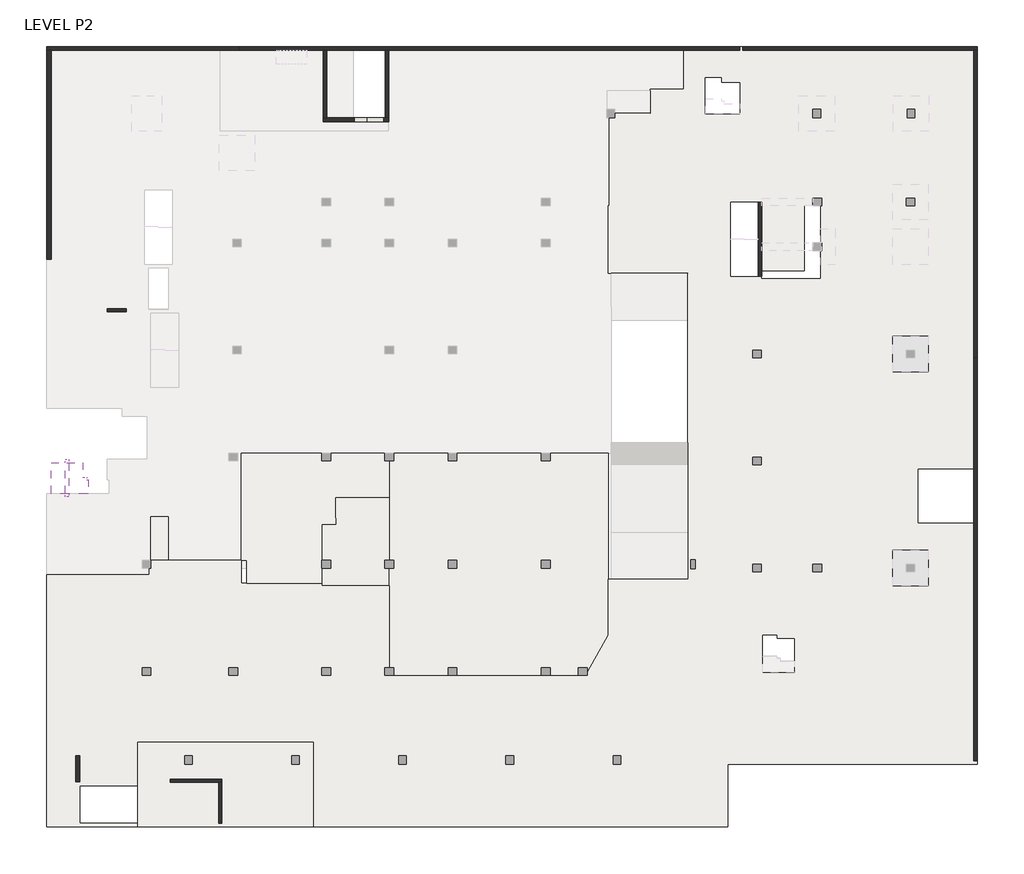
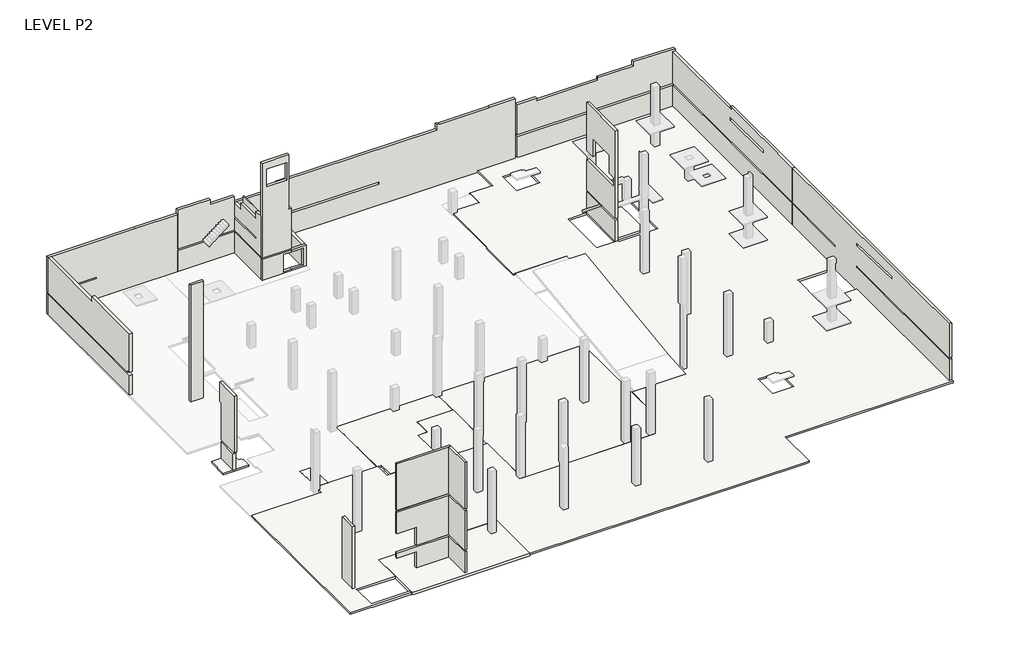
# One storey, part 1 of 3: 16 walls, 7 slabs.
"""IFC4 building model written with IfcOpenShell, lengths in millimetres."""

import ifcopenshell
import ifcopenshell.guid

model = None  # the IFC model being written
_history = None  # IfcOwnerHistory: only IFC2X3 demands one
_inside = {}  # id of a spatial element -> (the spatial element, [elements in it])
_under = {}  # id of a project, library or spatial element -> (it, [spatial elements below it])
_declared = {}  # id of a project -> (the project, [libraries it declares])
_typed = {}  # id of a type object -> (the type object, [elements of that type])
_made_of = {}  # id of a material, layer set ... -> (it, [elements and type objects made of it])


def new_model(schema):
    """Start an empty IFC model of exactly this schema.

    Asked for "IFC4X3", IfcOpenShell would pick the latest addendum, in which some entities
    have other attributes; the version numbers below select the first issue.
    IFC2X3 requires an IfcOwnerHistory on every rooted entity: one is made here for all.
    """
    global model, _history
    if schema == "IFC4X3":
        model = ifcopenshell.file(schema_version=(4, 3, 0, 0))
    else:
        model = ifcopenshell.file(schema=schema)
    _inside.clear()
    _under.clear()
    _declared.clear()
    _typed.clear()
    _made_of.clear()
    _history = None
    if model.schema == "IFC2X3":
        org = make("IfcOrganization", Name="unknown")
        user = make(
            "IfcPersonAndOrganization",
            ThePerson=make("IfcPerson", FamilyName="unknown"),
            TheOrganization=org,
        )
        app = make(
            "IfcApplication",
            ApplicationDeveloper=org,
            Version="unknown",
            ApplicationFullName="unknown",
            ApplicationIdentifier="unknown",
        )
        _history = make(
            "IfcOwnerHistory",
            OwningUser=user,
            OwningApplication=app,
            ChangeAction="ADDED",
            CreationDate=0,
        )
    return model


def make(cls, **values):
    """One entity of the class cls with the attributes given. An attribute that is None is left unset."""
    return model.create_entity(
        cls, **{name: value for name, value in values.items() if value is not None}
    )


def rooted(cls, **values):
    """An entity with a GlobalId (a new one), such as an element, a storey or a relation."""
    return make(cls, GlobalId=ifcopenshell.guid.new(), OwnerHistory=_history, **values)


def si_unit(unit_type, name, prefix=None):
    """IfcSIUnit, for example si_unit("LENGTHUNIT", "METRE", prefix="MILLI")."""
    return make("IfcSIUnit", UnitType=unit_type, Prefix=prefix, Name=name)


def assignment(units):
    """IfcUnitAssignment: the units of a project."""
    return None if units is None else make("IfcUnitAssignment", Units=units)


def point(xyz):
    """IfcCartesianPoint."""
    return None if xyz is None else make("IfcCartesianPoint", Coordinates=xyz)


def direction(xyz):
    """IfcDirection."""
    return None if xyz is None else make("IfcDirection", DirectionRatios=xyz)


def frame(location, z_axis=None, x_axis=None):
    """IfcAxis2Placement3D, a coordinate frame: its origin and axes. An axis left out is left unset."""
    return make(
        "IfcAxis2Placement3D",
        Location=point(location),
        Axis=direction(z_axis),
        RefDirection=direction(x_axis),
    )


def origin():
    """The frame at (0, 0, 0) with its axes left unset."""
    return frame((0.0, 0.0, 0.0))


def place(relative_to, where):
    """IfcLocalPlacement: puts the frame where relative to a parent placement (None: the world)."""
    return make(
        "IfcLocalPlacement", PlacementRelTo=relative_to, RelativePlacement=where
    )


def context(
    kind, dimensions, precision=None, world=None, true_north=None, identifier=None
):
    """IfcGeometricRepresentationContext, for example the 3D "Model" context."""
    return make(
        "IfcGeometricRepresentationContext",
        ContextIdentifier=identifier,
        ContextType=kind,
        CoordinateSpaceDimension=dimensions,
        Precision=precision,
        WorldCoordinateSystem=world,
        TrueNorth=true_north,
    )


def project(units=None, contexts=None):
    """IfcProject with its units and contexts."""
    return rooted(
        "IfcProject",
        Name="project",
        RepresentationContexts=contexts,
        UnitsInContext=assignment(units),
    )


def spatial(cls, under=None, at=None, **own):
    """A site, building, storey or space (cls), placed at a placement, below another one or the project."""
    s = rooted(cls, ObjectPlacement=at, **own)
    if under is not None:
        _under.setdefault(under.id(), (under, []))[1].append(s)
    return s


def polyline(points):
    """IfcPolyline through the points."""
    return make("IfcPolyline", Points=[point(p) for p in points])


def outline(outer, holes=None, kind="AREA"):
    """IfcArbitraryClosedProfileDef: a profile drawn as a closed curve; with holes, ...WithVoids."""
    if holes is None:
        return make("IfcArbitraryClosedProfileDef", ProfileType=kind, OuterCurve=outer)
    return make(
        "IfcArbitraryProfileDefWithVoids",
        ProfileType=kind,
        OuterCurve=outer,
        InnerCurves=holes,
    )


def extrude(swept, where, along, depth):
    """IfcExtrudedAreaSolid: the profile swept, set in the frame where, extruded along a direction by depth."""
    return make(
        "IfcExtrudedAreaSolid",
        SweptArea=swept,
        Position=where,
        ExtrudedDirection=direction(along),
        Depth=depth,
    )


def faces_of(points, faces, orient=None, outer=None):
    """IfcFace entities. A face is a list of loops; a loop is a list of indices into points, from 0.

    orient and outer hold one flag for each loop. By default every Orientation is true, the
    first loop of a face is its IfcFaceOuterBound and the others are IfcFaceBound.
    """
    made = []
    for i, loops in enumerate(faces):
        bounds = []
        for j, loop in enumerate(loops):
            is_outer = j == 0 if outer is None else outer[i][j]
            bounds.append(
                make(
                    "IfcFaceOuterBound" if is_outer else "IfcFaceBound",
                    Bound=make("IfcPolyLoop", Polygon=[points[k] for k in loop]),
                    Orientation=True if orient is None else orient[i][j],
                )
            )
        made.append(make("IfcFace", Bounds=bounds))
    return made


def faceted_brep(points, faces, orient=None, outer=None, voids=None):
    """IfcFacetedBrep: a solid bounded by flat faces; with voids (closed shells), ...WithVoids."""
    shared = [point(p) for p in points]
    hull = make("IfcClosedShell", CfsFaces=faces_of(shared, faces, orient, outer))
    if voids is None:
        return make("IfcFacetedBrep", Outer=hull)
    return make(
        "IfcFacetedBrepWithVoids",
        Outer=hull,
        Voids=[
            make(cls, CfsFaces=faces_of(shared, fs, o, b)) for cls, fs, o, b in voids
        ],
    )


def shape(context_of_items, identifier, shape_type, items):
    """IfcShapeRepresentation: the items that make up one representation, for example the "Body"."""
    return make(
        "IfcShapeRepresentation",
        ContextOfItems=context_of_items,
        RepresentationIdentifier=identifier,
        RepresentationType=shape_type,
        Items=items,
    )


def made_of(thing, what):
    """Note that an element or type object is made of a material, layer set ...; save() writes the relation."""
    if what is not None:
        _made_of.setdefault(what.id(), (what, []))[1].append(thing)
    return thing


def element(
    cls,
    number,
    at=None,
    inside=None,
    cuts=None,
    type_object=None,
    material=None,
    context=None,
    identifier="Body",
    shape_type=None,
    held_by="IfcProductDefinitionShape",
    body=None,
    shapes=None,
    **own,
):
    """One element of the class cls, such as IfcWall. Its Tag is "e" and its number.

    at: its placement. inside: the storey or other place that contains it. cuts: it is an
    opening in that element (IfcRelVoidsElement). A single representation is given by context,
    identifier, shape_type and body (its items); several are given by shapes. held_by: the class
    of the entity that holds the representations. save() writes the other relations.
    """
    e = rooted(cls, Tag="e%d" % number, ObjectPlacement=at, **own)
    if body is not None:
        shapes = [shape(context, identifier, shape_type, body)]
    if shapes is not None:
        e.Representation = make(held_by, Representations=shapes)
    if inside is not None:
        _inside.setdefault(inside.id(), (inside, []))[1].append(e)
    if cuts is not None:
        rooted(
            "IfcRelVoidsElement", RelatingBuildingElement=cuts, RelatedOpeningElement=e
        )
    if type_object is not None:
        _typed.setdefault(type_object.id(), (type_object, []))[1].append(e)
    return made_of(e, material)


def aggregate(whole, parts):
    """IfcRelAggregates: a whole, such as a stair, and the parts it consists of."""
    return rooted("IfcRelAggregates", RelatingObject=whole, RelatedObjects=parts)


def save(model, path):
    """Write the relations noted so far, then the file.

    IfcRelAggregates (storeys below a building ...), IfcRelContainedInSpatialStructure (elements
    in a storey), IfcRelDefinesByType, IfcRelAssociatesMaterial and IfcRelDeclares: one each for
    every whole, place, type object, material and project.
    """
    for whole, parts in _under.values():
        aggregate(whole, parts)
    for where, things in _inside.values():
        rooted(
            "IfcRelContainedInSpatialStructure",
            RelatedElements=things,
            RelatingStructure=where,
        )
    for kind, things in _typed.values():
        rooted("IfcRelDefinesByType", RelatedObjects=things, RelatingType=kind)
    for what, things in _made_of.values():
        rooted("IfcRelAssociatesMaterial", RelatedObjects=things, RelatingMaterial=what)
    for by, libraries in _declared.values():
        rooted("IfcRelDeclares", RelatingContext=by, RelatedDefinitions=libraries)
    model.write(path)


model = new_model("IFC4")

# Units and contexts
model_context = context("Model", 3, world=origin())
ifc_project = project(units=[si_unit("LENGTHUNIT", "METRE", prefix="MILLI")], contexts=[model_context])

# Site, building, storey
site = spatial("IfcSite", under=ifc_project)
building = spatial("IfcBuilding", under=site)
storey = spatial("IfcBuildingStorey", under=building, Name="LEVEL P2", Elevation=-8200.0)

# Slabs
placement = place(None, origin())
element("IfcSlab", 1, ObjectType="200 SLAB", at=placement, inside=storey, context=model_context, shape_type="SweptSolid", body=[
    extrude(outline(polyline([(181286.3204833, 183507.2325529), (178361.1491693, 183507.2325529), (178361.1491693, 185907.2325529), (180856.3839113, 185907.2325529), (180856.3839113, 184807.2325529), (181161.3204833, 184807.2325529), (181161.3204833, 184607.2325529), (181286.3204833, 184607.2325529), (181286.3204833, 183507.2325529)])), frame((0.0, 0.0, -7000.0), z_axis=(0.0, 0.0, 1.0), x_axis=(1.0, 0.0, 0.0)), (0.0, 0.0, 1.0), 200.0),
])
element("IfcSlab", 2, ObjectType="200 SLAB", at=placement, inside=storey, context=model_context, shape_type="Brep", body=[
    faceted_brep([(251011.1491692, 218563.2318341, -8200.0), (251011.1491692, 194163.2322067, -8200.0), (251011.1491692, 185463.2318341, -8200.0), (250711.1491692, 185463.2318341, -8200.0), (246311.1491692, 185463.2318341, -8200.0), (246311.1491692, 181163.2322067, -8200.0), (250711.1491692, 181163.2322067, -8200.0), (251011.1491692, 181163.2322067, -8200.0), (251011.1491692, 162263.2318341, -8200.0), (250711.1491692, 162263.2318341, -8200.0), (231436.3204833, 162263.2318341, -8200.0), (231436.3204833, 157363.2318341, -8200.0), (231136.3204833, 157363.2318341, -8200.0), (198936.3204833, 157363.2318341, -8200.0), (198936.3204833, 157663.2318341, -8200.0), (198936.3204833, 164013.2318341, -8200.0), (185171.3204833, 164013.2318341, -8200.0), (185171.3204833, 160913.2318341, -8200.0), (185171.3204833, 160613.2318341, -8200.0), (180611.3204833, 160613.2318341, -8200.0), (180611.3204833, 157663.2318341, -8200.0), (185171.3204833, 157663.2318341, -8200.0), (185171.3204833, 157363.2318341, -8200.0), (185171.3204833, 157362.6490053, -8200.0), (180611.3204833, 157362.6490053, -8200.0), (180311.3204833, 157362.6490053, -8200.0), (178011.1491693, 157362.6490053, -8200.0), (178011.1491693, 157363.2318341, -8200.0), (178011.1491693, 157663.2318341, -8200.0), (178011.1491693, 176553.2322067, -8200.0), (178011.1491693, 177153.2322067, -8200.0), (178361.1491693, 177153.2322067, -8200.0), (186061.1489175, 177153.2322067, -8200.0), (186061.1489175, 178263.2322067, -8200.0), (193296.1491692, 178263.2322067, -8200.0), (193296.1491692, 176490.2322067, -8200.0), (199596.1491692, 176490.2322067, -8200.0), (199596.1491692, 176263.2322067, -8200.0), (204896.1491692, 176263.2322067, -8200.0), (204896.1491692, 169263.2322067, -8200.0), (220285.943212, 169263.2322067, -8200.0), (222046.1491692, 172398.6008967, -8200.0), (222046.1491692, 176802.6490053, -8200.0), (222296.1491692, 176802.6490053, -8200.0), (228296.1491692, 176802.6490053, -8200.0), (228296.1491692, 177142.93122, -8200.0), (228296.1491692, 200767.6490053, -8200.0), (222756.1491692, 200767.6490053, -8200.0), (222296.1491692, 200767.6490053, -8200.0), (222046.1491692, 200767.6490053, -8200.0), (222046.1491692, 206063.2322067, -8200.0), (222156.1491692, 206063.2322067, -8200.0), (222156.1491692, 207763.2322067, -8200.0), (222156.1491692, 213343.2318341, -8200.0), (225343.7148824, 213343.2318341, -8200.0), (225343.7148824, 215233.2318341, -8200.0), (227992.1491692, 215233.2318341, -8200.0), (227992.1491692, 218563.2318341, -8200.0), (228592.1491692, 218563.2318341, -8200.0), (236628.4739802, 172143.2322067, -8200.0), (235288.4739802, 172143.2322067, -8200.0), (235288.4739802, 172398.2322067, -8200.0), (234188.4739802, 172398.2322067, -8200.0), (234188.4739802, 169513.2322067, -8200.0), (236628.4739802, 169513.2322067, -8200.0), (229682.0250868, 216124.5274851, -8200.0), (229682.0250868, 213278.2318341, -8200.0), (232375.5971201, 213278.2318341, -8200.0), (232375.5971201, 215734.5274851, -8200.0), (230930.5971201, 215734.5274851, -8200.0), (230930.5971201, 216124.5274851, -8200.0), (238671.1491692, 200388.1983002, -8200.0), (238671.1491692, 206063.2322067, -8200.0), (238111.1491692, 206063.2322067, -8200.0), (237452.4721706, 206063.2322067, -8200.0), (237452.4721706, 203163.2318341, -8200.0), (237452.4721706, 202563.2318341, -8200.0), (237452.4721706, 200923.1983002, -8200.0), (234112.4721706, 200923.1983002, -8200.0), (234112.4721706, 200548.1983002, -8200.0), (234112.4721706, 200388.1983002, -8200.0), (233812.4721706, 206363.1983002, -8200.0), (231652.4721706, 206363.1983002, -8200.0), (231652.4721706, 200548.1983002, -8200.0), (233812.4721706, 200548.1983002, -8200.0), (251011.1491692, 185463.2318341, -8000.0), (251011.1491692, 194163.2322067, -8000.0), (251011.1491692, 218263.2318341, -8000.0), (251011.1491692, 218563.2318341, -8000.0), (232625.5971201, 218563.2318341, -8000.0), (232375.5971201, 218563.2318341, -8000.0), (227992.1491692, 218563.2318341, -8000.0), (227992.1491692, 215233.2318341, -8000.0), (225343.7148824, 215233.2318341, -8000.0), (225343.7148824, 213343.2318341, -8000.0), (222156.1491692, 213343.2318341, -8000.0), (222156.1491692, 206063.2322067, -8000.0), (222046.1491692, 206063.2322067, -8000.0), (222046.1491692, 200767.6490053, -8000.0), (228296.1491692, 200767.6490053, -8000.0), (228296.1491692, 179797.4766746, -8000.0), (228296.1491692, 176802.6490053, -8000.0), (222296.1491692, 176802.6490053, -8000.0), (222046.1491692, 176802.6490053, -8000.0), (222046.1491692, 172398.6008967, -8000.0), (220285.943212, 169263.2322067, -8000.0), (204896.1491692, 169263.2322067, -8000.0), (204896.1491692, 176263.2322067, -8000.0), (199596.1491692, 176263.2322067, -8000.0), (199596.1491692, 176490.2322067, -8000.0), (193296.1491692, 176490.2322067, -8000.0), (193296.1491692, 178263.2322067, -8000.0), (186061.1489175, 178263.2322067, -8000.0), (186061.1489175, 177153.2322067, -8000.0), (178361.1491693, 177153.2322067, -8000.0), (178011.1491693, 177153.2322067, -8000.0), (178011.1491693, 157663.2318341, -8000.0), (178011.1491693, 157363.2318341, -8000.0), (178011.1491693, 157362.6490053, -8000.0), (180311.3204833, 157362.6490053, -8000.0), (180611.3204833, 157362.6490053, -8000.0), (185171.3204833, 157362.6490053, -8000.0), (185171.3204833, 157363.2318341, -8000.0), (185171.3204833, 157663.2318341, -8000.0), (180611.3204833, 157663.2318341, -8000.0), (180611.3204833, 160613.2318341, -8000.0), (180971.3204833, 160613.2318341, -8000.0), (184791.3204833, 160613.2318341, -8000.0), (185171.3204833, 160613.2318341, -8000.0), (185171.3204833, 160913.2318341, -8000.0), (185171.3204833, 164013.2318341, -8000.0), (198936.3204833, 164013.2318341, -8000.0), (198936.3204833, 157363.2318341, -8000.0), (231136.3204833, 157363.2318341, -8000.0), (231436.3204833, 157363.2318341, -8000.0), (231436.3204833, 162263.2318341, -8000.0), (251011.1491692, 162263.2318341, -8000.0), (251011.1491692, 162563.2318341, -8000.0), (251011.1491692, 181163.2322067, -8000.0), (250711.1491692, 181163.2322067, -8000.0), (246311.1491692, 181163.2322067, -8000.0), (246311.1491692, 185463.2318341, -8000.0), (250711.1491692, 185463.2318341, -8000.0), (235288.4739802, 172143.2322067, -8000.0), (236628.4739802, 172143.2322067, -8000.0), (236628.4739802, 169513.2322067, -8000.0), (234188.4739802, 169513.2322067, -8000.0), (234188.4739802, 172398.2322067, -8000.0), (235288.4739802, 172398.2322067, -8000.0), (229682.0250868, 213278.2318341, -8000.0), (229682.0250868, 216124.5274851, -8000.0), (230930.5971201, 216124.5274851, -8000.0), (230930.5971201, 215734.5274851, -8000.0), (232375.5971201, 215734.5274851, -8000.0), (232375.5971201, 213278.2318341, -8000.0), (238671.1491692, 206063.2322067, -8000.0), (238671.1491692, 200388.1983002, -8000.0), (234112.4721706, 200388.1983002, -8000.0), (234112.4721706, 200548.1983002, -8000.0), (234112.4721706, 200923.1983002, -8000.0), (237452.4721706, 200923.1983002, -8000.0), (237452.4721706, 202563.2318341, -8000.0), (237452.4721706, 203163.2318341, -8000.0), (237452.4721706, 206063.2322067, -8000.0), (231652.4721706, 206363.1983002, -8000.0), (233812.4721706, 206363.1983002, -8000.0), (233812.4721706, 200548.1983002, -8000.0), (231652.4721706, 200548.1983002, -8000.0), (231652.4721706, 201773.2322067, -8000.0), (231652.4721706, 205138.2322067, -8000.0)], [[[0, 1, 2, 3, 4, 5, 6, 7, 8, 9, 10, 11, 12, 13, 14, 15, 16, 17, 18, 19, 20, 21, 22, 23, 24, 25, 26, 27, 28, 29, 30, 31, 32, 33, 34, 35, 36, 37, 38, 39, 40, 41, 42, 43, 44, 45, 46, 47, 48, 49, 50, 51, 52, 53, 54, 55, 56, 57, 58], [59, 60, 61, 62, 63, 64], [65, 66, 67, 68, 69, 70], [71, 72, 73, 74, 75, 76, 77, 78, 79, 80], [81, 82, 83, 84]], [[85, 86, 87, 88, 89, 90, 91, 92, 93, 94, 95, 96, 97, 98, 99, 100, 101, 102, 103, 104, 105, 106, 107, 108, 109, 110, 111, 112, 113, 114, 115, 116, 117, 118, 119, 120, 121, 122, 123, 124, 125, 126, 127, 128, 129, 130, 131, 132, 133, 134, 135, 136, 137, 138, 139, 140, 141, 142], [143, 144, 145, 146, 147, 148], [149, 150, 151, 152, 153, 154], [155, 156, 157, 158, 159, 160, 161, 162, 163], [164, 165, 166, 167, 168, 169]], [[44, 101, 100, 99, 46, 45]], [[2, 1, 0, 88, 87, 86, 85]], [[4, 3, 2, 85, 142, 141]], [[5, 4, 141, 140]], [[7, 6, 5, 140, 139, 138]], [[8, 7, 138, 137, 136]], [[10, 9, 8, 136, 135]], [[11, 10, 135, 134]], [[13, 12, 11, 134, 133, 132]], [[34, 33, 112, 111]], [[35, 34, 111, 110]], [[36, 35, 110, 109]], [[37, 36, 109, 108]], [[38, 37, 108, 107]], [[39, 38, 107, 106]], [[40, 39, 106, 105]], [[41, 40, 105, 104]], [[42, 41, 104, 103]], [[42, 103, 102, 101, 44, 43]], [[60, 59, 144, 143]], [[63, 62, 147, 146]], [[64, 63, 146, 145]], [[59, 64, 145, 144]], [[15, 14, 13, 132, 131]], [[16, 15, 131, 130]], [[30, 29, 28, 27, 26, 118, 117, 116, 115]], [[32, 31, 30, 115, 114, 113]], [[33, 32, 113, 112]], [[49, 48, 47, 46, 99, 98]], [[53, 52, 51, 96, 95]], [[0, 58, 57, 91, 90, 89, 88]], [[66, 65, 150, 149]], [[67, 66, 149, 154]], [[68, 67, 154, 153]], [[72, 71, 156, 155]], [[74, 73, 72, 155, 163]], [[77, 76, 75, 74, 163, 162, 161, 160]], [[78, 77, 160, 159]], [[80, 79, 78, 159, 158, 157]], [[71, 80, 157, 156]], [[56, 55, 93, 92]], [[57, 56, 92, 91]], [[54, 53, 95, 94]], [[55, 54, 94, 93]], [[16, 130, 129, 128, 18, 17]], [[121, 23, 22, 21, 123, 122]], [[26, 25, 24, 23, 121, 120, 119, 118]], [[61, 60, 143, 148]], [[62, 61, 148, 147]], [[69, 68, 153, 152]], [[70, 69, 152, 151]], [[65, 70, 151, 150]], [[125, 19, 18, 128, 127, 126]], [[19, 125, 124, 20]], [[20, 124, 123, 21]], [[81, 165, 164, 82]], [[82, 164, 169, 168, 167, 83]], [[83, 167, 166, 84]], [[165, 81, 84, 166]], [[50, 49, 98, 97]], [[51, 50, 97, 96]]]),
])
element("IfcSlab", 3, ObjectType="200 SLAB", at=placement, inside=storey, context=model_context, shape_type="Brep", body=[
    faceted_brep([(220285.943212, 169263.2322067, -8200.0132114), (204896.1491692, 169263.2322067, -8200.0132114), (204896.1491692, 186663.2322067, -8400.0132114), (222046.1491692, 186663.2322067, -8400.0132114), (222046.1491692, 172398.6008967, -8236.0519319), (220285.943212, 169263.2322067, -8000.0), (222046.1491692, 172398.6008967, -8036.0387206), (222046.1491692, 186663.2322067, -8200.0), (204896.1491692, 186663.2322067, -8200.0), (204896.1491692, 169263.2322067, -8000.0)], [[[0, 1, 2, 3, 4]], [[5, 6, 7, 8, 9]], [[1, 0, 5, 9]], [[2, 1, 9, 8]], [[3, 2, 8, 7]], [[4, 3, 7, 6]], [[0, 4, 6, 5]]]),
])
element("IfcSlab", 4, ObjectType="200 SLAB", at=placement, inside=storey, context=model_context, shape_type="SweptSolid", body=[
    extrude(outline(polyline([(199196.1491692, 175863.2322067), (199196.1491692, 181111.7322067), (200696.1491692, 181111.7322067), (200696.1491692, 183163.2322067), (204896.1491692, 183163.2322067), (204896.1491692, 175863.2322067), (199196.1491692, 175863.2322067)])), frame((0.0, 0.0, -8300.0), z_axis=(0.0, 0.0, 1.0), x_axis=(1.0, 0.0, 0.0)), (0.0, 0.0, 1.0), 200.0),
])
element("IfcSlab", 5, ObjectType="200 SLAB", at=placement, inside=storey, context=model_context, shape_type="Brep", body=[
    faceted_brep([(193696.1491692, 176490.2322067, -8200.0386474), (193696.1491692, 178263.2322067, -8234.8956217), (193296.1491692, 178263.2322067, -8234.8956217), (193296.1491692, 186663.2322067, -8400.0386474), (204896.1491692, 186663.2322067, -8400.0386474), (204896.1491692, 183163.2322067, -8331.2290533), (200696.1491692, 183163.2322067, -8331.2290533), (200696.1491692, 181111.7322067, -8290.8968013), (199596.1491692, 181111.7322067, -8290.8968013), (199596.1491692, 176490.2322067, -8200.0386474), (193696.1491692, 176490.2322067, -8000.0), (199596.1491692, 176490.2322067, -8000.0), (199596.1491692, 181111.7322067, -8090.8581539), (200696.1491692, 181111.7322067, -8090.8581539), (200696.1491692, 183163.2322067, -8131.190406), (204896.1491692, 183163.2322067, -8131.190406), (204896.1491692, 186663.2322067, -8200.0), (193296.1491692, 186663.2322067, -8200.0), (193296.1491692, 178263.2322067, -8034.8569743), (193696.1491692, 178263.2322067, -8034.8569743)], [[[0, 1, 2, 3, 4, 5, 6, 7, 8, 9]], [[10, 11, 12, 13, 14, 15, 16, 17, 18, 19]], [[3, 2, 18, 17]], [[4, 3, 17, 16]], [[5, 4, 16, 15]], [[6, 5, 15, 14]], [[7, 6, 14, 13]], [[8, 7, 13, 12]], [[9, 8, 12, 11]], [[0, 9, 11, 10]], [[1, 0, 10, 19]], [[2, 1, 19, 18]]]),
])
element("IfcSlab", 6, ObjectType="310 TRANSFER SLAB", at=placement, inside=storey, context=model_context, shape_type="Brep", body=[
    faceted_brep([(198936.3204833, 164013.2318341, -8310.0), (198936.3204833, 157663.2318341, -8310.0), (198936.3204833, 157363.2318341, -8310.0), (185471.3204833, 157363.2318341, -8310.0), (185171.3204833, 157363.2318341, -8310.0), (185171.3204833, 161113.2318341, -8310.0), (185171.3204833, 164013.2318341, -8310.0), (198936.3204833, 164013.2318341, -8000.0), (185171.3204833, 164013.2318341, -8000.0), (185171.3204833, 161113.2318341, -8000.0), (185171.3204833, 157363.2318341, -8000.0), (185471.3204833, 157363.2318341, -8000.0), (198936.3204833, 157363.2318341, -8000.0), (198936.3204833, 157363.2318341, -8200.0), (185171.3204833, 157363.2318341, -8200.0)], [[[0, 1, 2, 3, 4, 5, 6]], [[7, 8, 9, 10, 11, 12]], [[2, 1, 0, 7, 12, 13]], [[4, 3, 2, 13, 12, 11, 10, 14]], [[6, 5, 4, 14, 10, 9, 8]], [[0, 6, 8, 7]]]),
])
element("IfcSlab", 7, ObjectType="CONCRETE FILL_RAMP", at=placement, inside=storey, context=model_context, shape_type="SweptSolid", body=[
    extrude(outline(polyline([(181697.2325529, -8202.0033892), (178263.2322067, -8002.0033892), (178263.2322067, -8000.0), (181697.2325529, -8200.0), (181697.2325529, -8202.0033892)])), frame((186201.1489175, 0.0, 0.0), z_axis=(1.0, 0.0, 0.0), x_axis=(0.0, 1.0, 0.0)), (0.0, 0.0, 1.0), 1340.0),
])

# Walls
element("IfcWall", 8, ObjectType="250 WALL", at=placement, inside=storey, context=model_context, shape_type="Brep", body=[
    faceted_brep([(191751.3204833, 160863.2318341, 5600.0), (191501.3204833, 160863.2318341, 5600.0), (185471.3204833, 160863.2318341, 5600.0), (185471.3204833, 160863.2318341, -130.0), (191501.3204833, 160863.2318341, -130.0), (191751.3204833, 160863.2318341, -130.0), (185471.3204833, 161113.2318341, 5600.0), (191751.3204833, 161113.2318341, 5600.0), (191751.3204833, 161113.2318341, -130.0), (185471.3204833, 161113.2318341, -130.0)], [[[0, 1, 2, 3, 4, 5]], [[6, 7, 8, 9]], [[2, 1, 0, 7, 6]], [[7, 0, 5, 8]], [[2, 6, 9, 3]], [[4, 3, 9, 8, 5]]]),
    faceted_brep([(187701.3204833, 160863.2318341, -6010.7863728), (187701.3204833, 160863.2318341, -8000.0), (191751.3204833, 160863.2318341, -8000.0), (191751.3204833, 160863.2318341, -5400.0), (191501.3204833, 160863.2318341, -5400.0), (188606.3204833, 160863.2318341, -5400.0), (185471.3204833, 160863.2318341, -5400.0), (185471.3204833, 160863.2318341, -6010.7863728), (187701.3204833, 161113.2318341, -8000.0), (187701.3204833, 161113.2318341, -6010.7863728), (185471.3204833, 161113.2318341, -6010.7863728), (185471.3204833, 161113.2318341, -5400.0), (187736.3204833, 161113.2318341, -5400.0), (190536.3204833, 161113.2318341, -5400.0), (191751.3204833, 161113.2318341, -5400.0), (191751.3204833, 161113.2318341, -8000.0)], [[[0, 1, 2, 3, 4, 5, 6, 7]], [[8, 9, 10, 11, 12, 13, 14, 15]], [[15, 2, 1, 8]], [[2, 15, 14, 3]], [[10, 7, 6, 11]], [[0, 9, 8, 1]], [[9, 0, 7, 10]], [[6, 5, 4, 3, 14, 13, 12, 11]]]),
    faceted_brep([(187701.3204833, 160863.2318341, -3010.7863728), (187701.3204833, 160863.2318341, -5200.0), (188606.3204833, 160863.2318341, -5200.0), (191501.3204833, 160863.2318341, -5200.0), (191751.3204833, 160863.2318341, -5200.0), (191751.3204833, 160863.2318341, -380.0), (191501.3204833, 160863.2318341, -380.0), (185471.3204833, 160863.2318341, -380.0), (185471.3204833, 160863.2318341, -3010.7863728), (187701.3204833, 161113.2318341, -5200.0), (187701.3204833, 161113.2318341, -3010.7863728), (185471.3204833, 161113.2318341, -3010.7863728), (185471.3204833, 161113.2318341, -380.0), (191751.3204833, 161113.2318341, -380.0), (191751.3204833, 161113.2318341, -5200.0)], [[[0, 1, 2, 3, 4, 5, 6, 7, 8]], [[9, 10, 11, 12, 13, 14]], [[4, 14, 13, 5]], [[11, 8, 7, 12]], [[1, 0, 10, 9]], [[0, 8, 11, 10]], [[2, 1, 9, 14, 4, 3]], [[7, 6, 5, 13, 12]]]),
])
element("IfcWall", 9, ObjectType="250 WALL", at=placement, inside=storey, context=model_context, shape_type="Brep", body=[
    faceted_brep([(191501.3204833, 160863.2318341, -8010.0), (191501.3204833, 157663.2318341, -8010.0), (191501.3204833, 157663.2318341, -5400.0), (191501.3204833, 160863.2318341, -5400.0), (191751.3204833, 157663.2318341, -8010.0), (191751.3204833, 160863.2318341, -8010.0), (191751.3204833, 160863.2318341, -8000.0), (191751.3204833, 160863.2318341, -5400.0), (191751.3204833, 157663.2318341, -5400.0)], [[[0, 1, 2, 3]], [[4, 5, 6, 7, 8]], [[1, 0, 5, 4]], [[5, 0, 3, 7, 6]], [[1, 4, 8, 2]], [[3, 2, 8, 7]]]),
    faceted_brep([(191501.3204833, 157663.2318341, 5600.0), (191501.3204833, 160863.2318341, 5600.0), (191501.3204833, 160863.2318341, -130.0), (191501.3204833, 157663.2318341, -130.0), (191751.3204833, 160863.2318341, 5600.0), (191751.3204833, 157663.2318341, 5600.0), (191751.3204833, 157663.2318341, -130.0), (191751.3204833, 160863.2318341, -130.0)], [[[0, 1, 2, 3]], [[4, 5, 6, 7]], [[1, 0, 5, 4]], [[1, 4, 7, 2]], [[5, 0, 3, 6]], [[3, 2, 7, 6]]]),
    faceted_brep([(191501.3204833, 157663.2318341, -380.0), (191501.3204833, 160863.2318341, -380.0), (191501.3204833, 160863.2318341, -5200.0), (191501.3204833, 157663.2318341, -5200.0), (191751.3204833, 160863.2318341, -380.0), (191751.3204833, 157663.2318341, -380.0), (191751.3204833, 157663.2318341, -5200.0), (191751.3204833, 160863.2318341, -5200.0)], [[[0, 1, 2, 3]], [[4, 5, 6, 7]], [[1, 4, 7, 2]], [[5, 0, 3, 6]], [[1, 0, 5, 4]], [[3, 2, 7, 6]]]),
])
element("IfcWall", 10, ObjectType="250 WALL", at=placement, inside=storey, context=model_context, shape_type="SweptSolid", body=[
    extrude(outline(polyline([(184256.1489175, 197758.2322067), (182756.1489175, 197758.2322067), (182756.1489175, 198008.2322067), (184256.1489175, 198008.2322067), (184256.1489175, 197758.2322067)])), frame((0.0, 0.0, -8200.0), z_axis=(0.0, 0.0, 1.0), x_axis=(1.0, 0.0, 0.0)), (0.0, 0.0, 1.0), 14400.0),
])
element("IfcWall", 11, ObjectType="300 WALL", at=placement, inside=storey, context=model_context, shape_type="Brep", body=[
    faceted_brep([(193106.1491692, 218563.2318341, -8200.0), (178011.1491693, 218563.2318341, -8200.0), (178011.1491693, 218563.2318341, -5765.0), (183697.3313273, 218563.2318341, -5765.0), (183697.3313273, 218563.2318341, -5600.0), (183697.3313273, 218563.2318341, -5565.0), (183097.3313273, 218563.2318341, -5565.0), (178011.1491693, 218563.2318341, -5565.0), (178011.1491693, 218563.2318341, -1180.0), (188161.1489205, 218563.2318341, -1180.0), (193106.1491692, 218563.2318341, -1180.0), (193106.1491692, 218563.2318341, -5400.0), (193106.1491692, 218563.2318341, -5600.0), (178011.1491693, 218263.2318341, -8200.0), (178361.1491693, 218263.2318341, -8200.0), (193106.1491692, 218263.2318341, -8200.0), (193106.1491692, 218263.2318341, -5600.0), (193106.1491692, 218263.2318341, -5400.0), (193106.1491692, 218263.2318341, -1180.0), (188161.1489205, 218263.2318341, -1180.0), (178361.1491693, 218263.2318341, -1180.0), (178011.1491693, 218263.2318341, -1180.0), (178011.1491693, 218263.2318341, -5565.0), (178361.1491693, 218263.2318341, -5565.0), (183697.3313273, 218263.2318341, -5565.0), (183697.3313273, 218263.2318341, -5765.0), (178361.1491693, 218263.2318341, -5765.0), (178011.1491693, 218263.2318341, -5765.0)], [[[0, 1, 2, 3, 4, 5, 6, 7, 8, 9, 10, 11, 12]], [[13, 14, 15, 16, 17, 18, 19, 20, 21, 22, 23, 24, 25, 26, 27]], [[1, 0, 15, 14, 13]], [[0, 12, 11, 10, 18, 17, 16, 15]], [[1, 13, 27, 2]], [[21, 8, 7, 22]], [[25, 3, 2, 27, 26]], [[5, 24, 23, 22, 7, 6]], [[3, 25, 24, 5, 4]], [[8, 21, 20, 19, 9]], [[10, 9, 19, 18]]]),
])
element("IfcWall", 12, ObjectType="300 WALL", at=placement, inside=storey, context=model_context, shape_type="Brep", body=[
    faceted_brep([(232625.5971201, 218563.2318341, -1460.0), (234859.8299325, 218563.2318341, -1460.0), (234859.8299325, 218563.2318341, -1780.0), (242011.9970322, 218563.2318341, -1780.0), (242011.9970322, 218563.2318341, -1460.0), (246111.1491692, 218563.2318341, -1460.0), (246111.1491692, 218563.2318341, -941.1927601), (251011.1491692, 218563.2318341, -1037.3912498), (251011.1491692, 218563.2318341, -5200.0), (232625.5971201, 218563.2318341, -5200.0), (234859.8299325, 218263.2318341, -1460.0), (232625.5971201, 218263.2318341, -1460.0), (232625.5971201, 218263.2318341, -5200.0), (250711.1491692, 218263.2318341, -5200.0), (251011.1491692, 218263.2318341, -5200.0), (251011.1491692, 218263.2318341, -1290.0520562), (251011.1491692, 218263.2318341, -1037.3912498), (246111.1491692, 218263.2318341, -941.1927601), (246111.1491692, 218263.2318341, -1460.0), (242011.9970322, 218263.2318341, -1460.0), (242011.9970322, 218263.2318341, -1780.0), (234859.8299325, 218263.2318341, -1780.0)], [[[0, 1, 2, 3, 4, 5, 6, 7, 8, 9]], [[10, 11, 12, 13, 14, 15, 16, 17, 18, 19, 20, 21]], [[7, 16, 15, 14, 8]], [[1, 0, 11, 10]], [[2, 1, 10, 21]], [[3, 2, 21, 20]], [[4, 3, 20, 19]], [[5, 4, 19, 18]], [[6, 5, 18, 17]], [[7, 6, 17, 16]], [[9, 8, 14, 13, 12]], [[11, 0, 9, 12]]]),
    faceted_brep([(251011.1491692, 218563.2318341, -8000.0), (232625.5971201, 218563.2318341, -8000.0), (232625.5971201, 218563.2318341, -5400.0), (251011.1491692, 218563.2318341, -5400.0), (232625.5971201, 218263.2318341, -8000.0), (250711.1491692, 218263.2318341, -8000.0), (251011.1491692, 218263.2318341, -8000.0), (251011.1491692, 218263.2318341, -5400.0), (250711.1491692, 218263.2318341, -5400.0), (232625.5971201, 218263.2318341, -5400.0)], [[[0, 1, 2, 3]], [[4, 5, 6, 7, 8, 9]], [[6, 0, 3, 7]], [[1, 0, 6, 5, 4]], [[3, 2, 9, 8, 7]], [[1, 4, 9, 2]]]),
])
element("IfcWall", 13, ObjectType="300 WALL", at=placement, inside=storey, context=model_context, shape_type="Brep", body=[
    faceted_brep([(251011.1491692, 218263.2318341, -1290.0520562), (251011.1491692, 206363.2318341, -1290.0520562), (251011.1491692, 206363.2318341, -1040.0), (251011.1491692, 206663.2318341, -1040.0), (251011.1491692, 206663.2318341, -1000.1083784), (251011.1491692, 194163.2322067, -1000.1083784), (251011.1491692, 194163.2322067, -5200.0), (251011.1491692, 218263.2318341, -5200.0), (251011.1491692, 206663.2318341, -2700.0), (251011.1491692, 200063.2318341, -2700.0), (251011.1491692, 200063.2318341, -2400.0), (251011.1491692, 206663.2318341, -2400.0), (250711.1491692, 206363.2318341, -1283.9296072), (250711.1491692, 206663.2318341, -1283.9296072), (250711.1491692, 218263.2318341, -1283.9296072), (250711.1491692, 218263.2318341, -5200.0), (250711.1491692, 194163.2322067, -5200.0), (250711.1491692, 194163.2322067, -991.2738232), (250711.1491692, 200063.2318341, -991.2738232), (250711.1491692, 200363.2318341, -991.2738232), (250711.1491692, 206363.2318341, -991.2738232), (250711.1491692, 206663.2318341, -991.2738232), (250711.1491692, 206663.2318341, -1033.877551), (250711.1491692, 206363.2318341, -1033.877551), (250711.1491692, 200063.2318341, -2700.0), (250711.1491692, 206663.2318341, -2700.0), (250711.1491692, 206663.2318341, -2400.0), (250711.1491692, 206363.2318341, -2400.0), (250711.1491692, 200363.2318341, -2400.0), (250711.1491692, 200063.2318341, -2400.0)], [[[0, 1, 2, 3, 4, 5, 6, 7], [8, 9, 10, 11]], [[12, 13, 14, 15, 16, 17, 18, 19, 20, 21, 22, 23], [24, 25, 26, 27, 28, 29]], [[14, 0, 7, 15]], [[12, 1, 0, 14, 13]], [[1, 12, 23, 2]], [[2, 23, 22, 3]], [[24, 9, 8, 25]], [[26, 11, 10, 29, 28, 27]], [[25, 8, 11, 26]], [[9, 24, 29, 10]], [[7, 6, 16, 15]], [[5, 4, 21, 20, 19, 18, 17]], [[16, 6, 5, 17]], [[3, 22, 21, 4]]]),
    faceted_brep([(251011.1491692, 194163.2322067, -8000.0), (251011.1491692, 218263.2318341, -8000.0), (251011.1491692, 218263.2318341, -5400.0), (251011.1491692, 194163.2322067, -5400.0), (250711.1491692, 218263.2318341, -8000.0), (250711.1491692, 194163.2322067, -8000.0), (250711.1491692, 194163.2322067, -5400.0), (250711.1491692, 218263.2318341, -5400.0)], [[[0, 1, 2, 3]], [[4, 5, 6, 7]], [[1, 4, 7, 2]], [[1, 0, 5, 4]], [[3, 2, 7, 6]], [[0, 3, 6, 5]]]),
])
element("IfcWall", 14, ObjectType="300 WALL", at=placement, inside=storey, context=model_context, shape_type="Brep", body=[
    faceted_brep([(234112.4721706, 205138.2322067, 1895.0), (234112.4721706, 205138.2322067, -340.0), (234112.4721706, 206363.2322067, -340.0), (234112.4721706, 206363.2322067, 5600.0), (234112.4721706, 200548.1983002, 5600.0), (234112.4721706, 200548.1983002, -5200.0), (234112.4721706, 200923.1983002, -5200.0), (234112.4721706, 206363.2322067, -5200.0), (234112.4721706, 206363.2322067, -1460.0), (234112.4721706, 200923.1983002, -1460.0), (234112.4721706, 200923.1983002, -340.0), (234112.4721706, 201773.2322067, -340.0), (234112.4721706, 201773.2322067, 1895.0), (233812.4721706, 205138.2322067, -340.0), (233812.4721706, 205138.2322067, 1895.0), (233812.4721706, 201773.2322067, 1895.0), (233812.4721706, 201773.2322067, -340.0), (233812.4721706, 200923.1983002, -340.0), (233812.4721706, 200923.1983002, -1460.0), (233812.4721706, 206363.2322067, -1460.0), (233812.4721706, 206363.2322067, -5200.0), (233812.4721706, 200548.1983002, -5200.0), (233812.4721706, 200548.1983002, 5600.0), (233812.4721706, 206363.2322067, 5600.0), (233812.4721706, 206363.2322067, -340.0)], [[[0, 1, 2, 3, 4, 5, 6, 7, 8, 9, 10, 11, 12]], [[13, 14, 15, 16, 17, 18, 19, 20, 21, 22, 23, 24]], [[4, 22, 21, 5]], [[0, 14, 13, 1]], [[14, 0, 12, 15]], [[15, 12, 11, 16]], [[18, 9, 8, 19]], [[2, 1, 13, 24]], [[10, 17, 16, 11]], [[9, 18, 17, 10]], [[4, 3, 23, 22]], [[7, 6, 5, 21, 20]], [[19, 8, 7, 20]], [[2, 24, 23, 3]]]),
    faceted_brep([(234112.4721706, 206363.2322067, -5400.0), (234112.4721706, 200923.1983002, -5400.0), (234112.4721706, 200548.1983002, -5400.0), (234112.4721706, 200548.1983002, -8000.0), (234112.4721706, 200923.1983002, -8000.0), (234112.4721706, 206363.2322067, -8000.0), (233812.4721706, 200548.1983002, -5400.0), (233812.4721706, 206363.2322067, -5400.0), (233812.4721706, 206363.2322067, -8000.0), (233812.4721706, 200548.1983002, -8000.0)], [[[0, 1, 2, 3, 4, 5]], [[6, 7, 8, 9]], [[2, 6, 9, 3]], [[1, 0, 7, 6, 2]], [[5, 4, 3, 9, 8]], [[7, 0, 5, 8]]]),
])
element("IfcWall", 15, ObjectType="300 WALL", at=placement, inside=storey, context=model_context, shape_type="Brep", body=[
    faceted_brep([(199694.4437068, 218263.2318341, -8200.0), (199694.4437068, 212963.2318341, -8200.0), (199694.4437068, 212963.2318341, -5650.0), (199694.4437068, 217623.2318341, -5650.0), (199694.4437068, 217623.2318341, -5600.0), (199694.4437068, 218263.2318341, -5600.0), (199994.4437068, 212963.2318341, -8200.0), (199994.4437068, 218263.2318341, -8200.0), (199994.4437068, 218263.2318341, -5600.0), (199994.4437068, 217623.2318341, -5600.0), (199994.4437068, 217623.2318341, -5650.0), (199994.4437068, 212963.2318341, -5650.0)], [[[0, 1, 2, 3, 4, 5]], [[6, 7, 8, 9, 10, 11]], [[1, 0, 7, 6]], [[1, 6, 11, 2]], [[7, 0, 5, 8]], [[8, 5, 4, 9]], [[10, 3, 2, 11]], [[3, 10, 9, 4]]]),
    faceted_brep([(199694.4437068, 213914.8356077, -480.0), (199694.4437068, 213914.8356077, -1280.0), (199694.4437068, 216935.8625898, -1280.0), (199694.4437068, 216935.8625898, -1990.6222658), (199694.4437068, 218263.2318341, -2018.8096919), (199694.4437068, 218263.2318341, -3610.0), (199694.4437068, 213858.2318341, -3610.0), (199694.4437068, 213858.2318341, -3860.0), (199694.4437068, 218263.2318341, -3860.0), (199694.4437068, 218263.2318341, -5400.0), (199694.4437068, 217023.2318341, -5400.0), (199694.4437068, 217023.2318341, -5450.0), (199694.4437068, 212963.2318341, -5450.0), (199694.4437068, 212963.2318341, -480.0), (199994.4437068, 216935.8625898, -480.0), (199994.4437068, 212963.2318341, -480.0), (199994.4437068, 212963.2318341, -5450.0), (199994.4437068, 217023.2318341, -5450.0), (199994.4437068, 217023.2318341, -5400.0), (199994.4437068, 218263.2318341, -5400.0), (199994.4437068, 218263.2318341, -3860.0), (199994.4437068, 213858.2318341, -3860.0), (199994.4437068, 213858.2318341, -3610.0), (199994.4437068, 218263.2318341, -3610.0), (199994.4437068, 218263.2318341, -2018.8096919), (199994.4437068, 216935.8625898, -1990.6222658), (199994.4437068, 216935.8625898, -1280.0), (199963.2038991, 216935.8625898, -480.0), (199963.2038991, 213914.8356077, -480.0), (199963.2038991, 213914.8356077, -1280.0), (199963.2038991, 216935.8625898, -1280.0)], [[[0, 1, 2, 3, 4, 5, 6, 7, 8, 9, 10, 11, 12, 13]], [[14, 15, 16, 17, 18, 19, 20, 21, 22, 23, 24, 25, 26]], [[13, 15, 14, 27, 28, 0]], [[15, 13, 12, 16]], [[29, 30, 2, 1]], [[28, 29, 1, 0]], [[30, 29, 28, 27]], [[27, 14, 26, 25, 3, 2, 30]], [[4, 24, 23, 5]], [[19, 9, 8, 20]], [[3, 25, 24, 4]], [[18, 10, 9, 19]], [[10, 18, 17, 11]], [[12, 11, 17, 16]], [[7, 21, 20, 8]], [[22, 6, 5, 23]], [[21, 7, 6, 22]]]),
])
element("IfcWall", 16, ObjectType="300 WALL", at=placement, inside=storey, context=model_context, shape_type="Brep", body=[
    faceted_brep([(199694.4437068, 212663.2318341, -8200.0), (203103.192598, 212663.2318341, -8200.0), (203103.192598, 212663.2318341, -8000.0027394), (202151.1491692, 212663.2318341, -8000.0027394), (202151.1491692, 212663.2318341, -5900.0), (203103.192598, 212663.2318341, -5900.0), (203103.192598, 212663.2318341, -5650.0), (199694.4437068, 212663.2318341, -5650.0), (203103.192598, 212963.2318341, -8200.0), (199994.4437068, 212963.2318341, -8200.0), (199694.4437068, 212963.2318341, -8200.0), (199694.4437068, 212963.2318341, -5650.0), (199994.4437068, 212963.2318341, -5650.0), (202803.192598, 212963.2318341, -5650.0), (203103.192598, 212963.2318341, -5650.0), (203103.192598, 212963.2318341, -5900.0), (202151.1491692, 212963.2318341, -5900.0), (202151.1491692, 212963.2318341, -8000.0027394), (203103.192598, 212963.2318341, -8000.0027394)], [[[0, 1, 2, 3, 4, 5, 6, 7]], [[8, 9, 10, 11, 12, 13, 14, 15, 16, 17, 18]], [[1, 0, 10, 9, 8]], [[10, 0, 7, 11]], [[1, 8, 18, 2]], [[5, 15, 14, 6]], [[17, 3, 2, 18]], [[3, 17, 16, 4]], [[4, 16, 15, 5]], [[7, 6, 14, 13, 12, 11]]]),
    faceted_brep([(203103.192598, 212663.2318341, -485.9111058), (202803.192598, 212663.2318341, -485.9111058), (202803.192598, 212663.2318341, 5800.0), (202803.192598, 212663.2318341, 6200.0), (199694.4437068, 212663.2318341, 6200.0), (199694.4437068, 212663.2318341, -2815.0), (199694.4437068, 212663.2318341, -3315.0), (199694.4437068, 212663.2318341, -5450.0), (203103.192598, 212663.2318341, -5450.0), (202553.692598, 212663.2318341, 5280.0), (202553.692598, 212663.2318341, 3179.9972606), (200252.692598, 212663.2318341, 3179.9972606), (200252.692598, 212663.2318341, 5280.0), (202803.192598, 212963.2318341, -485.9111058), (203103.192598, 212963.2318341, -485.9111058), (203103.192598, 212963.2318341, -1278.4661088), (203103.192598, 212963.2318341, -5450.0), (202803.192598, 212963.2318341, -5450.0), (199994.4437068, 212963.2318341, -5450.0), (199694.4437068, 212963.2318341, -5450.0), (199694.4437068, 212963.2318341, -3315.0), (199694.4437068, 212963.2318341, -2815.0), (199694.4437068, 212963.2318341, -480.0), (199694.4437068, 212963.2318341, 6200.0), (199994.4437068, 212963.2318341, 6200.0), (202803.192598, 212963.2318341, 6200.0), (202803.192598, 212963.2318341, 5800.0), (202553.692598, 212963.2318341, 3179.9972606), (202553.692598, 212963.2318341, 5280.0), (200252.692598, 212963.2318341, 5280.0), (200252.692598, 212963.2318341, 3179.9972606)], [[[0, 1, 2, 3, 4, 5, 6, 7, 8], [9, 10, 11, 12]], [[13, 14, 15, 16, 17, 18, 19, 20, 21, 22, 23, 24, 25, 26], [27, 28, 29, 30]], [[4, 23, 22, 21, 20, 19, 7, 6, 5]], [[1, 0, 14, 13]], [[14, 0, 8, 16, 15]], [[1, 13, 26, 25, 3, 2]], [[4, 3, 25, 24, 23]], [[10, 9, 28, 27]], [[11, 10, 27, 30]], [[12, 11, 30, 29]], [[9, 12, 29, 28]], [[8, 7, 19, 18, 17, 16]]]),
])
element("IfcWall", 17, ObjectType="300 WALL", at=placement, inside=storey, context=model_context, shape_type="SweptSolid", body=[
    extrude(outline(polyline([(-8200.0, 203103.192598), (-8200.0, 204852.1491692), (-5650.0, 204852.1491692), (-5650.0, 203103.192598), (-5900.0, 203103.192598), (-5900.0, 204452.1491692), (-8000.0027394, 204452.1491692), (-8000.0027394, 203103.192598), (-8200.0, 203103.192598)])), frame((0.0, 212663.2318341, 0.0), z_axis=(0.0, 1.0, 0.0), x_axis=(0.0, 0.0, 1.0)), (0.0, 0.0, 1.0), 300.0),
])
element("IfcWall", 18, ObjectType="300 WALL", at=placement, inside=storey, context=model_context, shape_type="Brep", body=[
    faceted_brep([(204852.1491692, 212963.2318341, -8400.0), (204852.1491692, 218263.2318341, -8400.0), (204852.1491692, 218263.2318341, -5600.0), (204852.1491692, 216583.2318341, -5600.0), (204852.1491692, 216583.2318341, -5650.0), (204852.1491692, 212963.2318341, -5650.0), (204852.1491692, 212963.2318341, -8200.0), (204552.1491692, 218263.2318341, -8400.0), (204552.1491692, 212963.2318341, -8400.0), (204552.1491692, 212963.2318341, -5650.0), (204552.1491692, 216583.2318341, -5650.0), (204552.1491692, 216583.2318341, -5600.0), (204552.1491692, 218263.2318341, -5600.0)], [[[0, 1, 2, 3, 4, 5, 6]], [[7, 8, 9, 10, 11, 12]], [[1, 0, 8, 7]], [[8, 0, 6, 5, 9]], [[1, 7, 12, 2]], [[2, 12, 11, 3]], [[4, 10, 9, 5]], [[10, 4, 3, 11]]]),
])
element("IfcWall", 19, ObjectType="300 WALL", at=placement, inside=storey, context=model_context, shape_type="Brep", body=[
    faceted_brep([(180611.3204833, 160913.2318341, -8200.0), (180611.3204833, 162263.2318341, -8200.0), (180611.3204833, 162963.2318341, -8200.0), (180611.3204833, 162963.2318341, -5510.0), (180611.3204833, 162963.2318341, -5400.0), (180611.3204833, 162963.2318341, -1630.0), (180611.3204833, 162963.2318341, -380.0), (180611.3204833, 161613.2318341, -380.0), (180611.3204833, 160913.2318341, -380.0), (180611.3204833, 160913.2318341, -5200.0), (180611.3204833, 160913.2318341, -5400.0), (180611.3204833, 160913.2318341, -5510.0), (180611.3204833, 160913.2318341, -8000.0), (180311.3204833, 160913.2318341, -8200.0), (180311.3204833, 160913.2318341, -8000.0), (180311.3204833, 160913.2318341, -5400.0), (180311.3204833, 160913.2318341, -5200.0), (180311.3204833, 160913.2318341, -380.0), (180311.3204833, 161613.2318341, -380.0), (180311.3204833, 162963.2318341, -380.0), (180311.3204833, 162963.2318341, -1630.0), (180311.3204833, 162963.2318341, -5400.0), (180311.3204833, 162963.2318341, -5510.0), (180311.3204833, 162963.2318341, -8200.0)], [[[0, 1, 2, 3, 4, 5, 6, 7, 8, 9, 10, 11, 12]], [[13, 14, 15, 16, 17, 18, 19, 20, 21, 22, 23]], [[2, 1, 0, 13, 23]], [[6, 5, 4, 3, 2, 23, 22, 21, 20, 19]], [[8, 7, 6, 19, 18, 17]], [[0, 12, 11, 10, 9, 8, 17, 16, 15, 14, 13]]]),
])
element("IfcWall", 20, ObjectType="300 WALL", at=placement, inside=storey, context=model_context, shape_type="Brep", body=[
    faceted_brep([(179761.3204833, 183507.2325529, -6800.0), (179761.3204833, 185907.2325529, -6800.0), (179761.3204833, 185907.2325529, -5600.0), (179761.3204833, 185907.2325529, -5400.0), (179761.3204833, 185907.2325529, -4775.0), (179761.3204833, 183507.2325529, -4775.0), (179461.3204833, 185907.2325529, -6800.0), (179461.3204833, 183507.2325529, -6800.0), (179461.3204833, 183507.2325529, -4775.0), (179461.3204833, 185907.2325529, -4775.0)], [[[0, 1, 2, 3, 4, 5]], [[6, 7, 8, 9]], [[1, 0, 7, 6]], [[7, 0, 5, 8]], [[1, 6, 9, 4, 3, 2]], [[5, 4, 9, 8]]]),
    faceted_brep([(179761.3204833, 186207.2325529, 2450.0), (179761.3204833, 185907.2325529, 2450.0), (179761.3204833, 183507.2325529, 2450.0), (179761.3204833, 183257.2325529, 2450.0), (179761.3204833, 183257.2325529, 0.0), (179761.3204833, 183257.2325529, -250.0), (179761.3204833, 183257.2325529, -4500.0), (179761.3204833, 183507.2325529, -4500.0), (179761.3204833, 185907.2325529, -4500.0), (179761.3204833, 185907.2325529, 0.0), (179761.3204833, 186207.2325529, 0.0), (179461.3204833, 183257.2325529, 2450.0), (179461.3204833, 186207.2325529, 2450.0), (179461.3204833, 186207.2325529, 0.0), (179461.3204833, 185907.2325529, 0.0), (179461.3204833, 185907.2325529, -4500.0), (179461.3204833, 183257.2325529, -4500.0)], [[[0, 1, 2, 3, 4, 5, 6, 7, 8, 9, 10]], [[11, 12, 13, 14, 15, 16]], [[3, 2, 1, 0, 12, 11]], [[15, 8, 7, 6, 16]], [[6, 5, 4, 3, 11, 16]], [[10, 9, 14, 13]], [[14, 9, 8, 15]], [[12, 0, 10, 13]]]),
])
element("IfcWall", 21, ObjectType="300 WALL", at=placement, inside=storey, context=model_context, shape_type="Brep", body=[
    faceted_brep([(251011.1491692, 194163.2322067, -1000.1083784), (251011.1491692, 162563.2318341, -1000.1083784), (251011.1491692, 162563.2318341, -5200.0), (251011.1491692, 181163.2322067, -5200.0), (251011.1491692, 181163.2322067, -5400.0), (251011.1491692, 162563.2318341, -5400.0), (251011.1491692, 162563.2318341, -8000.0), (251011.1491692, 181163.2322067, -8000.0), (251011.1491692, 181163.2322067, -8200.0), (251011.1491692, 185463.2318341, -8200.0), (251011.1491692, 185463.2318341, -8000.0), (251011.1491692, 194163.2322067, -8000.0), (251011.1491692, 194163.2322067, -5400.0), (251011.1491692, 185463.2318341, -5400.0), (251011.1491692, 185463.2318341, -5200.0), (251011.1491692, 194163.2322067, -5200.0), (251011.1491692, 181163.2322067, -2400.0), (251011.1491692, 181163.2322067, -2650.0), (251011.1491692, 174163.2318341, -2500.0), (251011.1491692, 174163.2318341, -2250.0), (250711.1491692, 162563.2318341, -991.2738232), (250711.1491692, 168936.123658, -991.2738232), (250711.1491692, 170936.123658, -991.2738232), (250711.1491692, 174163.2318341, -991.2738232), (250711.1491692, 174463.2318341, -991.2738232), (250711.1491692, 185463.2318341, -991.2738232), (250711.1491692, 185763.2318341, -991.2738232), (250711.1491692, 187238.2314614, -991.2738232), (250711.1491692, 194163.2322067, -991.2738232), (250711.1491692, 194163.2322067, -5200.0), (250711.1491692, 185763.2318341, -5200.0), (250711.1491692, 185463.2318341, -5200.0), (250711.1491692, 185463.2318341, -5400.0), (250711.1491692, 185763.2318341, -5400.0), (250711.1491692, 194163.2322067, -5400.0), (250711.1491692, 194163.2322067, -8000.0), (250711.1491692, 185763.2318341, -8000.0), (250711.1491692, 185463.2318341, -8000.0), (250711.1491692, 185463.2318341, -8200.0), (250711.1491692, 181163.2322067, -8200.0), (250711.1491692, 181163.2322067, -8000.0), (250711.1491692, 180863.2322067, -8000.0), (250711.1491692, 162563.2318341, -8000.0), (250711.1491692, 162563.2318341, -5400.0), (250711.1491692, 180863.2322067, -5400.0), (250711.1491692, 181163.2322067, -5400.0), (250711.1491692, 181163.2322067, -5200.0), (250711.1491692, 180863.2322067, -5200.0), (250711.1491692, 162563.2318341, -5200.0), (250711.1491692, 181163.2322067, -2650.0), (250711.1491692, 181163.2322067, -2400.0), (250711.1491692, 174463.2318341, -2256.4285711), (250711.1491692, 174163.2318341, -2250.0), (250711.1491692, 174163.2318341, -2500.0), (250711.1491692, 180863.2322067, -2643.5714289), (250861.1491692, 162563.2318341, -995.6911008)], [[[0, 1, 2, 3, 4, 5, 6, 7, 8, 9, 10, 11, 12, 13, 14, 15], [16, 17, 18, 19]], [[20, 21, 22, 23, 24, 25, 26, 27, 28, 29, 30, 31, 32, 33, 34, 35, 36, 37, 38, 39, 40, 41, 42, 43, 44, 45, 46, 47, 48], [49, 50, 51, 52, 53, 54]], [[9, 8, 39, 38]], [[11, 35, 34, 12]], [[28, 0, 15, 29]], [[1, 0, 28, 27, 26, 25, 24, 23, 22, 21, 20, 55]], [[16, 50, 49, 17]], [[52, 19, 18, 53]], [[19, 52, 51, 50, 16]], [[17, 49, 54, 53, 18]], [[10, 37, 36, 35, 11]], [[40, 7, 6, 42, 41]], [[37, 10, 9, 38]], [[7, 40, 39, 8]], [[32, 13, 12, 34, 33]], [[4, 45, 44, 43, 5]], [[14, 31, 30, 29, 15]], [[46, 3, 2, 48, 47]], [[13, 32, 31, 14]], [[45, 4, 3, 46]], [[42, 6, 5, 43]], [[1, 55, 20, 48, 2]]]),
])
element("IfcWall", 22, ObjectType="300 WALL", at=placement, inside=storey, context=model_context, shape_type="Brep", body=[
    faceted_brep([(193106.1491692, 218263.2318341, -8200.0), (199694.4437068, 218263.2318341, -8200.0), (199994.4437068, 218263.2318341, -8200.0), (202051.1491692, 218263.2318341, -8200.0), (204852.1491692, 218263.2318341, -8200.0), (232375.5971201, 218263.2318341, -8200.0), (232375.5971201, 218263.2318341, -650.0), (229432.0250868, 218263.2318341, -650.0), (229432.0250868, 218263.2318341, -762.0029815), (223485.5971201, 218263.2318341, -762.0029815), (223485.5971201, 218263.2318341, -650.0), (223235.5971201, 218263.2318341, -650.0), (223235.5971201, 218263.2318341, -1218.4882594), (223235.5971201, 218263.2318341, -1318.5589223), (204687.7148824, 218263.2318341, -1318.5589223), (204687.7148824, 218263.2318341, -2018.8096919), (199994.4437068, 218263.2318341, -2018.8096919), (199694.4437068, 218263.2318341, -2018.8096919), (199694.4437068, 218263.2318341, -1280.0), (196886.2186442, 218263.2318341, -1280.0), (196886.2186442, 218263.2318341, -650.0), (193106.1491692, 218263.2318341, -650.0), (193106.1491692, 218263.2318341, -1180.0), (193106.1491692, 218263.2318341, -5400.0), (199694.4437068, 218263.2318341, -5400.0), (199994.4437068, 218263.2318341, -5400.0), (199994.4437068, 218263.2318341, -5600.0), (199694.4437068, 218263.2318341, -5600.0), (193106.1491692, 218263.2318341, -5600.0), (216496.1491692, 218263.2318341, -5600.0), (204852.1491692, 218263.2318341, -5600.0), (204552.1491692, 218263.2318341, -5600.0), (202803.192598, 218263.2318341, -5600.0), (202803.192598, 218263.2318341, -5400.0), (216496.1491692, 218263.2318341, -5400.0), (232375.5971201, 218563.2318341, -8200.0), (204852.1491692, 218563.2318341, -8200.0), (202051.1491692, 218563.2318341, -8200.0), (193106.1491692, 218563.2318341, -8200.0), (193106.1491692, 218563.2318341, -5600.0), (199994.4437068, 218563.2318341, -5600.0), (199994.4437068, 218563.2318341, -5400.0), (193106.1491692, 218563.2318341, -5400.0), (193106.1491692, 218563.2318341, -1180.0), (193106.1491692, 218563.2318341, -650.0), (196886.2186442, 218563.2318341, -650.0), (196886.2186442, 218563.2318341, -1280.0), (199694.4437068, 218563.2318341, -1280.0), (199694.4437068, 218563.2318341, -2025.1803592), (204687.7148824, 218563.2318341, -2025.1803592), (204687.7148824, 218563.2318341, -1318.5589223), (223235.5971201, 218563.2318341, -1318.5589223), (223235.5971201, 218563.2318341, -650.0), (223485.5971201, 218563.2318341, -650.0), (223485.5971201, 218563.2318341, -747.0008219), (229432.0250868, 218563.2318341, -747.0008219), (229432.0250868, 218563.2318341, -650.0), (232375.5971201, 218563.2318341, -650.0), (232375.5971201, 218563.2318341, -1460.0), (232375.5971201, 218563.2318341, -5200.0), (232375.5971201, 218563.2318341, -5400.0), (232375.5971201, 218563.2318341, -8000.0), (202803.192598, 218563.2318341, -5600.0), (216496.1491692, 218563.2318341, -5600.0), (216496.1491692, 218563.2318341, -5400.0), (202803.192598, 218563.2318341, -5400.0)], [[[0, 1, 2, 3, 4, 5, 6, 7, 8, 9, 10, 11, 12, 13, 14, 15, 16, 17, 18, 19, 20, 21, 22, 23, 24, 25, 26, 27, 28], [29, 30, 31, 32, 33, 34]], [[35, 36, 37, 38, 39, 40, 41, 42, 43, 44, 45, 46, 47, 48, 49, 50, 51, 52, 53, 54, 55, 56, 57, 58, 59, 60, 61], [62, 63, 64, 65]], [[5, 4, 3, 2, 1, 0, 38, 37, 36, 35]], [[6, 57, 56, 7]], [[11, 10, 53, 52]], [[21, 44, 43, 42, 23, 22]], [[38, 0, 28, 39]], [[14, 13, 51, 50]], [[44, 21, 20, 45]], [[48, 17, 16, 15, 49]], [[49, 15, 14, 50]], [[17, 48, 47, 18]], [[29, 63, 62, 32, 31, 30]], [[26, 40, 39, 28, 27]], [[41, 25, 24, 23, 42]], [[33, 65, 64, 34]], [[63, 29, 34, 64]], [[40, 26, 25, 41]], [[32, 62, 65, 33]], [[5, 35, 61, 60, 59, 58, 57, 6]], [[8, 55, 54, 9]], [[55, 8, 7, 56]], [[9, 54, 53, 10]], [[46, 19, 18, 47]], [[19, 46, 45, 20]], [[13, 12, 11, 52, 51]]]),
])
element("IfcWall", 23, ObjectType="350 WALL", at=placement, inside=storey, context=model_context, shape_type="Brep", body=[
    faceted_brep([(178361.1491693, 201882.2325529, -8200.0), (178361.1491693, 201893.1983002, -8200.0), (178361.1491693, 202193.1983002, -8200.0), (178361.1491693, 218263.2318341, -8200.0), (178361.1491693, 218263.2318341, -5765.0), (178361.1491693, 202193.1983002, -5765.0), (178361.1491693, 201893.1983002, -5765.0), (178361.1491693, 201882.2325529, -5765.0), (178011.1491693, 218263.2318341, -8200.0), (178011.1491693, 201882.2325529, -8200.0), (178011.1491693, 201882.2325529, -5765.0), (178011.1491693, 218263.2318341, -5765.0)], [[[0, 1, 2, 3, 4, 5, 6, 7]], [[8, 9, 10, 11]], [[3, 2, 1, 0, 9, 8]], [[9, 0, 7, 10]], [[3, 8, 11, 4]], [[7, 6, 5, 4, 11, 10]]]),
    faceted_brep([(178361.1491693, 201882.2325529, -650.0), (178361.1491693, 201882.2325529, -730.0), (178361.1491693, 201882.2325529, -2600.0), (178361.1491693, 201882.2325529, -5400.0), (178361.1491693, 202193.1983002, -5400.0), (178361.1491693, 202193.1983002, -5565.0), (178361.1491693, 218263.2318341, -5565.0), (178361.1491693, 218263.2318341, -1180.0), (178361.1491693, 209418.1983002, -1180.0), (178361.1491693, 209418.1983002, -650.0), (178011.1491693, 201882.2325529, -5400.0), (178011.1491693, 201882.2325529, -730.0), (178011.1491693, 201882.2325529, -650.0), (178011.1491693, 209418.1983002, -650.0), (178011.1491693, 209418.1983002, -1180.0), (178011.1491693, 218263.2318341, -1180.0), (178011.1491693, 218263.2318341, -5565.0), (178011.1491693, 202193.1983002, -5565.0), (178011.1491693, 202193.1983002, -5400.0)], [[[0, 1, 2, 3, 4, 5, 6, 7, 8, 9]], [[10, 11, 12, 13, 14, 15, 16, 17, 18]], [[12, 0, 9, 13]], [[0, 12, 11, 10, 3, 2, 1]], [[15, 7, 6, 16]], [[18, 4, 3, 10]], [[4, 18, 17, 5]], [[14, 8, 7, 15]], [[8, 14, 13, 9]], [[6, 5, 17, 16]]]),
])

save(model, "model.ifc")
